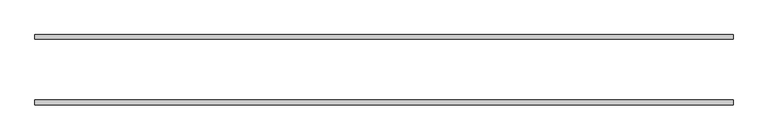
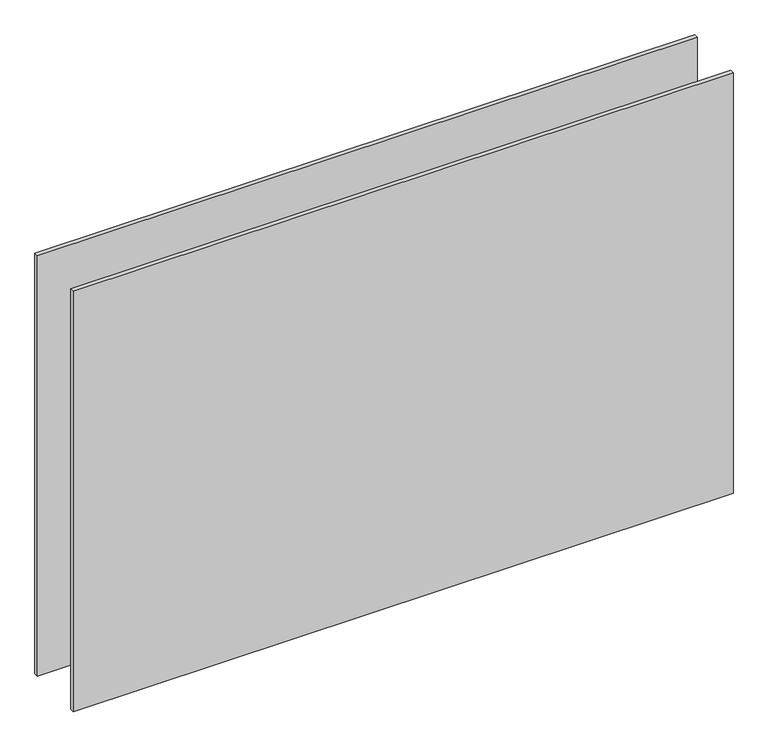
"""IFC4 building model written with IfcOpenShell, lengths in millimetres: plate geometry."""

from ifc_helpers import new_model, si_unit, origin, origin_with_axes, place, context, project, spatial, polyline, outline, extrude, source, transform, mapped, element, save


def plate_dddaa43f(model_context):
    return source(origin(), model_context, "Body", "SweptSolid", [
        extrude(outline(polyline([(-612.5, -61.5), (-612.5, -53.5), (612.5, -53.5), (612.5, -61.5), (-612.5, -61.5)])), origin_with_axes(), (0.0, 0.0, 1.0), 825.0),
        extrude(outline(polyline([(612.5, 53.5), (-612.5, 53.5), (-612.5, 61.5), (612.5, 61.5), (612.5, 53.5)])), origin_with_axes(), (0.0, 0.0, 1.0), 825.0),
    ])


if __name__ == "__main__":
    model = new_model("IFC4")
    model_context = context("Model", 3, world=origin())
    ifc_project = project(units=[si_unit("LENGTHUNIT", "METRE", prefix="MILLI")], contexts=[model_context])
    site = spatial("IfcSite", under=ifc_project)
    building = spatial("IfcBuilding", under=site)
    placement = place(None, origin())
    plate_shape = plate_dddaa43f(model_context)
    element("IfcPlate", 1, at=placement, inside=building, context=model_context, shape_type="MappedRepresentation", body=[
        mapped(plate_shape, transform((0.0, 0.0, 0.0), x_axis=(1.0, 0.0, 0.0), y_axis=(0.0, 1.0, 0.0), z_axis=(0.0, 0.0, 1.0))),
    ])
    save(model, "model.ifc")
